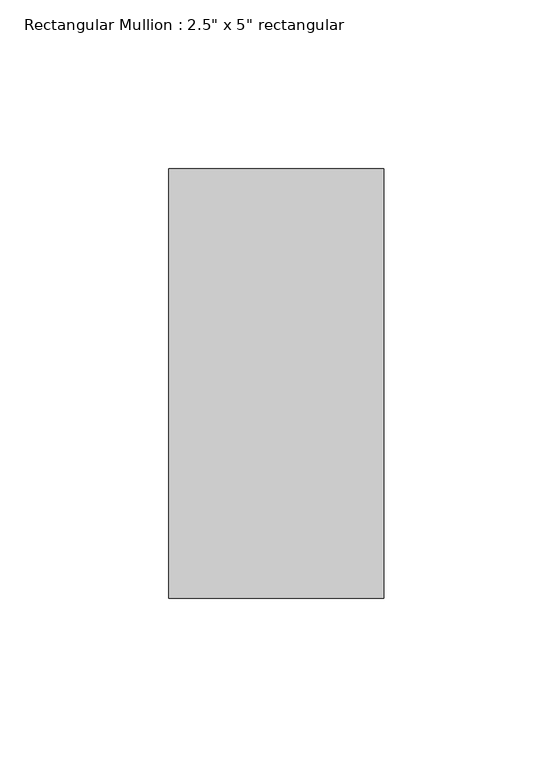
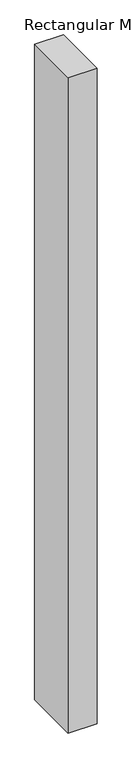
"""IFC4 building model written with IfcOpenShell, lengths in millimetres: member geometry."""

from ifc_helpers import new_model, si_unit, frame, origin, place, context, project, spatial, polyline, outline, extrude, source, transform, mapped, element, save


def member_31cd52ad(model_context):
    return source(origin(), model_context, "Body", "SweptSolid", [
        extrude(outline(polyline([(0.0, 63.5), (0.0, -63.5), (-63.5, -63.5), (-63.5, 63.5), (0.0, 63.5)])), frame((0.0, 0.0, -1520.2838622), z_axis=(0.0, 0.0, 1.0), x_axis=(1.0, 0.0, 0.0)), (0.0, 0.0, 1.0), 1520.2838622),
    ])


if __name__ == "__main__":
    model = new_model("IFC4")
    model_context = context("Model", 3, world=origin())
    ifc_project = project(units=[si_unit("LENGTHUNIT", "METRE", prefix="MILLI")], contexts=[model_context])
    site = spatial("IfcSite", under=ifc_project)
    building = spatial("IfcBuilding", under=site)
    placement = place(None, origin())
    member_shape = member_31cd52ad(model_context)
    element("IfcMember", 1, ObjectType="Rectangular Mullion : 2.5\" x 5\" rectangular", at=placement, inside=building, context=model_context, shape_type="MappedRepresentation", body=[
        mapped(member_shape, transform((0.0, 0.0, 0.0), x_axis=(1.0, 0.0, 0.0), y_axis=(0.0, 1.0, 0.0), z_axis=(0.0, 0.0, 1.0))),
    ])
    save(model, "model.ifc")
